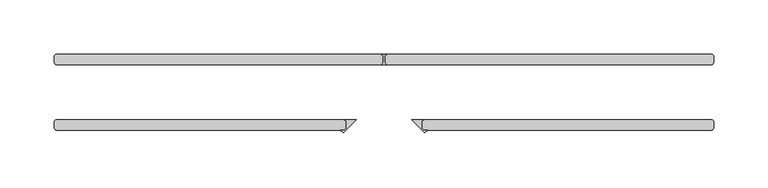
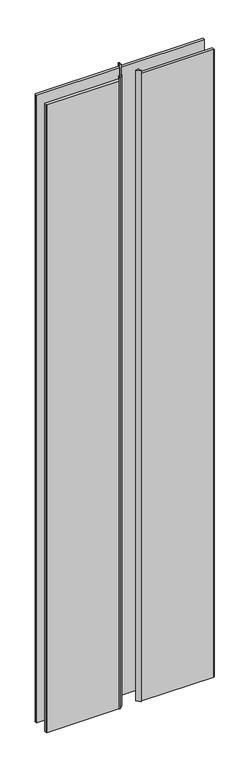
"""IFC4 building model written with IfcOpenShell, lengths in millimetres: plate geometry."""

from ifc_helpers import new_model, si_unit, frame, origin, place, context, project, spatial, polyline, outline, extrude, source, transform, mapped, element, save


def plate_a4a6b060(model_context):
    return source(origin(), model_context, "Body", "SweptSolid", [
        extrude(outline(polyline([(-302.41875, -25.4), (-36.5125, -25.4), (-34.925, -26.9875), (-34.925, -33.3375), (-36.5125, -34.925), (-302.41875, -34.925), (-304.00625, -33.3375), (-304.00625, -26.9875), (-302.41875, -25.4)])), frame((0.0, 0.0, 6.35), z_axis=(0.0, 0.0, 1.0), x_axis=(1.0, 0.0, 0.0)), (0.0, 0.0, 1.0), 2398.7125023),
        extrude(outline(polyline([(-34.925, -26.9875), (-36.5125, -25.4), (-25.4, -25.4), (-37.635032, -37.635032), (-40.345064, -34.925), (-36.5125, -34.925), (-34.925, -33.3375), (-34.925, -26.9875)])), frame((0.0, 0.0, 6.35), z_axis=(0.0, 0.0, 1.0), x_axis=(1.0, 0.0, 0.0)), (0.0, 0.0, 1.0), 2411.4125023),
        extrude(outline(polyline([(34.925, -26.9875), (34.925, -33.3375), (36.5125, -34.925), (40.345064, -34.925), (37.635032, -37.635032), (25.4, -25.4), (36.5125, -25.4), (34.925, -26.9875)])), frame((0.0, 0.0, 6.35), z_axis=(0.0, 0.0, 1.0), x_axis=(1.0, 0.0, 0.0)), (0.0, 0.0, 1.0), 2411.4125023),
        extrude(outline(polyline([(-302.41875, 34.925), (-2.38125, 34.925), (-0.79375, 33.3375), (-0.79375, 26.9875), (-2.38125, 25.4), (-302.41875, 25.4), (-304.00625, 26.9875), (-304.00625, 33.3375), (-302.41875, 34.925)])), frame((0.0, 0.0, 6.35), z_axis=(0.0, 0.0, 1.0), x_axis=(1.0, 0.0, 0.0)), (0.0, 0.0, 1.0), 2398.7125023),
        extrude(outline(polyline([(2.38125, 34.925), (0.79375, 33.3375), (0.79375, 26.9875), (2.38125, 25.4), (-2.38125, 25.4), (-0.79375, 26.9875), (-0.79375, 33.3375), (-2.38125, 34.925), (2.38125, 34.925)])), frame((0.0, 0.0, 6.35), z_axis=(0.0, 0.0, 1.0), x_axis=(1.0, 0.0, 0.0)), (0.0, 0.0, 1.0), 2411.4125023),
        extrude(outline(polyline([(302.41875, -25.4), (304.00625, -26.9875), (304.00625, -33.3375), (302.41875, -34.925), (36.5125, -34.925), (34.925, -33.3375), (34.925, -26.9875), (36.5125, -25.4), (302.41875, -25.4)])), frame((0.0, 0.0, 6.35), z_axis=(0.0, 0.0, 1.0), x_axis=(1.0, 0.0, 0.0)), (0.0, 0.0, 1.0), 2398.7125023),
        extrude(outline(polyline([(302.41875, 34.925), (304.00625, 33.3375), (304.00625, 26.9875), (302.41875, 25.4), (2.38125, 25.4), (0.79375, 26.9875), (0.79375, 33.3375), (2.38125, 34.925), (302.41875, 34.925)])), frame((0.0, 0.0, 6.35), z_axis=(0.0, 0.0, 1.0), x_axis=(1.0, 0.0, 0.0)), (0.0, 0.0, 1.0), 2398.7125023),
    ])


if __name__ == "__main__":
    model = new_model("IFC4")
    model_context = context("Model", 3, world=origin())
    ifc_project = project(units=[si_unit("LENGTHUNIT", "METRE", prefix="MILLI")], contexts=[model_context])
    site = spatial("IfcSite", under=ifc_project)
    building = spatial("IfcBuilding", under=site)
    placement = place(None, origin())
    plate_shape = plate_a4a6b060(model_context)
    element("IfcPlate", 1, at=placement, inside=building, context=model_context, shape_type="MappedRepresentation", body=[
        mapped(plate_shape, transform((0.0, 0.0, 0.0), x_axis=(1.0, 0.0, 0.0), y_axis=(0.0, 1.0, 0.0), z_axis=(0.0, 0.0, 1.0))),
    ])
    save(model, "model.ifc")
